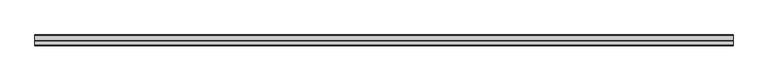
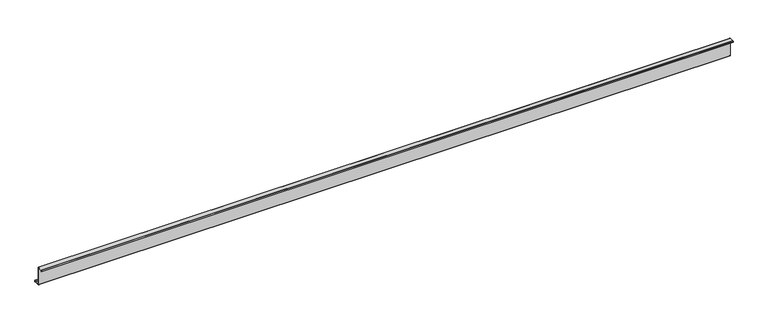
"""IFC4 building model written with IfcOpenShell, lengths in millimetres: member geometry."""

from ifc_helpers import new_model, si_unit, point, frame, frame_2d, origin, place, context, project, spatial, polyline, circle_curve, trimmed, segment, composite_curve, outline, extrude, source, transform, mapped, element, save


def member_47f96be2(model_context):
    return source(origin(), model_context, "Body", "SweptSolid", [
        extrude(outline(composite_curve([segment(polyline([(0.0, -123.5), (0.0, 123.5)]), True, "CONTINUOUS"), segment(trimmed(circle_curve(frame_2d((-2.0, 123.5)), 2.0), [point((0.0, 123.5))], [point((-2.0, 125.5))], True, "CARTESIAN"), True, "CONTINUOUS"), segment(polyline([(-2.0, 125.5), (-63.5, 125.5)]), True, "CONTINUOUS"), segment(trimmed(circle_curve(frame_2d((-63.5, 123.5)), 2.0), [point((-63.5, 125.5))], [point((-65.5, 123.5))], True, "CARTESIAN"), True, "CONTINUOUS"), segment(polyline([(-65.5, 123.5), (-65.5, 107.0), (-67.0, 107.0), (-67.0, 123.5)]), True, "CONTINUOUS"), segment(trimmed(circle_curve(frame_2d((-63.5, 123.5)), 3.5), [point((-67.0, 123.5))], [point((-63.5, 127.0))], False, "CARTESIAN"), True, "CONTINUOUS"), segment(polyline([(-63.5, 127.0), (-2.0, 127.0)]), True, "CONTINUOUS"), segment(trimmed(circle_curve(frame_2d((-2.0, 123.5)), 3.5), [point((-2.0, 127.0))], [point((1.5, 123.5))], False, "CARTESIAN"), True, "CONTINUOUS"), segment(polyline([(1.5, 123.5), (1.5, -123.5)]), True, "CONTINUOUS"), segment(trimmed(circle_curve(frame_2d((3.5, -123.5)), 2.0), [point((1.5, -123.5))], [point((3.5, -125.5))], True, "CARTESIAN"), True, "CONTINUOUS"), segment(polyline([(3.5, -125.5), (75.0, -125.5)]), True, "CONTINUOUS"), segment(trimmed(circle_curve(frame_2d((75.0, -123.5)), 2.0), [point((75.0, -125.5))], [point((77.0, -123.5))], True, "CARTESIAN"), True, "CONTINUOUS"), segment(polyline([(77.0, -123.5), (77.0, -107.5), (78.5, -107.5), (78.5, -123.5)]), True, "CONTINUOUS"), segment(trimmed(circle_curve(frame_2d((75.0, -123.5)), 3.5), [point((78.5, -123.5))], [point((75.0, -127.0))], False, "CARTESIAN"), True, "CONTINUOUS"), segment(polyline([(75.0, -127.0), (3.5, -127.0)]), True, "CONTINUOUS"), segment(trimmed(circle_curve(frame_2d((3.5, -123.5)), 3.5), [point((3.5, -127.0))], [point((0.0, -123.5))], False, "CARTESIAN"), True, "CONTINUOUS")], self_intersect=False)), frame((-4333.5, 0.0, 0.0), z_axis=(1.0, 0.0, 0.0), x_axis=(0.0, 1.0, 0.0)), (0.0, 0.0, 1.0), 9417.0),
    ])


if __name__ == "__main__":
    model = new_model("IFC4")
    model_context = context("Model", 3, world=origin())
    ifc_project = project(units=[si_unit("LENGTHUNIT", "METRE", prefix="MILLI")], contexts=[model_context])
    site = spatial("IfcSite", under=ifc_project)
    building = spatial("IfcBuilding", under=site)
    placement = place(None, origin())
    member_shape = member_47f96be2(model_context)
    element("IfcMember", 1, at=placement, inside=building, context=model_context, shape_type="MappedRepresentation", body=[
        mapped(member_shape, transform((0.0, 0.0, 0.0), x_axis=(1.0, 0.0, 0.0), y_axis=(0.0, 1.0, 0.0), z_axis=(0.0, 0.0, 1.0))),
    ])
    save(model, "model.ifc")
